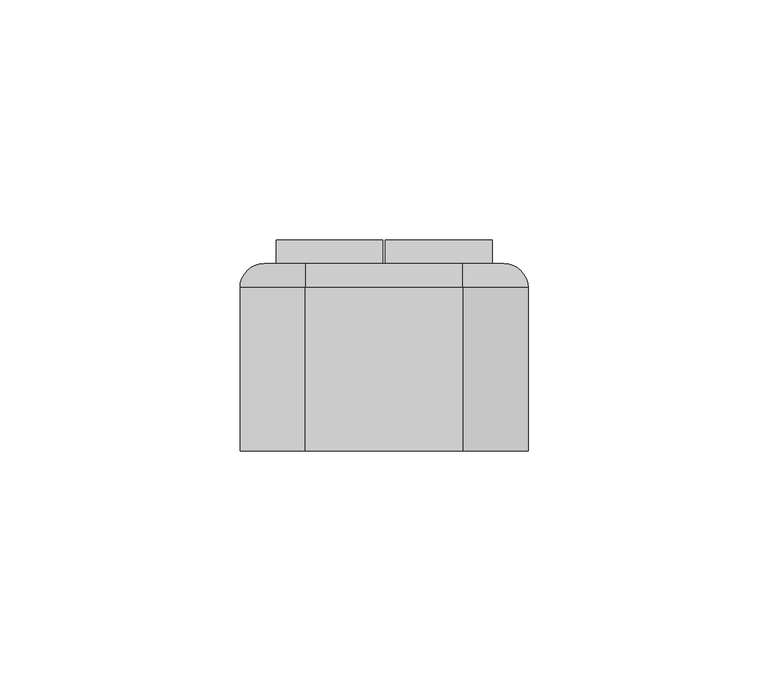
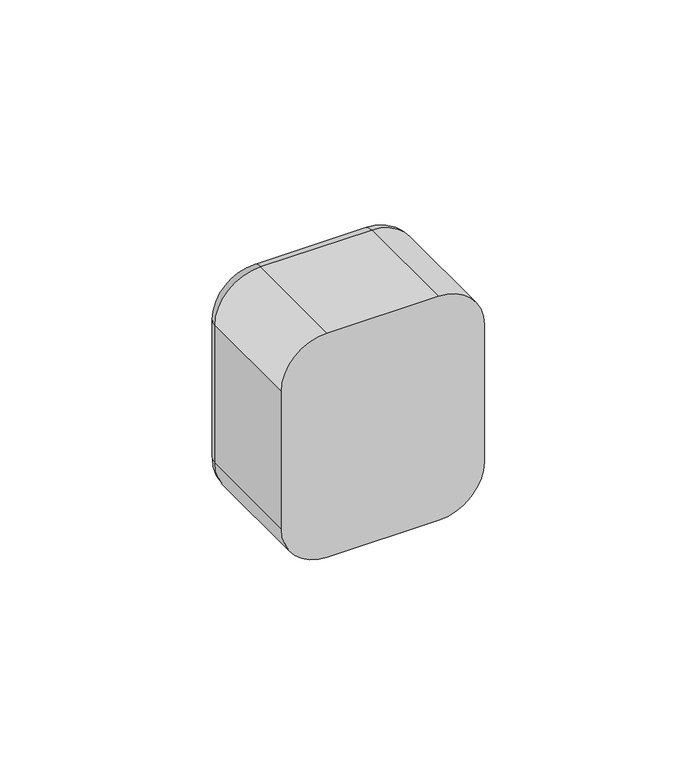
"""IFC4 building model written with IfcOpenShell, lengths in millimetres: switching device geometry."""

from ifc_helpers import new_model, si_unit, point, frame, origin, place, context, project, spatial, polyline, circle_curve, ellipse_curve, trimmed, outline, extrude, faceted_brep, source, transform, mapped, element, save
from ifc_brep_helpers import plane_surface, cylinder_surface, revolved_surface, advanced_brep


def switching_device_f33bef3c(model_context):
    return source(origin(), model_context, "Body", "SolidModel", [
        advanced_brep(
        [(16.4328665, 39.0, 30.0), (25.0, 39.0, 21.4328665), (25.0, 39.0, -21.4328665), (16.4328665, 39.0, -30.0), (-16.4328665, 39.0, -30.0), (-25.0, 39.0, -21.4328665), (-25.0, 39.0, 21.4328665), (-16.4328665, 39.0, 30.0), (22.5, 39.0, 22.5), (-22.5, 39.0, 22.5), (-22.5, 39.0, -22.5), (22.5, 39.0, -22.5), (-16.4328665, 0.0, 35.0), (-30.0, 0.0, 21.4328665), (-30.0, 0.0, -21.4328665), (-16.4328665, 0.0, -35.0), (16.4328665, 0.0, -35.0), (30.0, 0.0, -21.4328665), (30.0, 0.0, 21.4328665), (16.4328665, 0.0, 35.0), (22.5, 2.0, -22.5), (22.5, 2.0, 22.5), (-22.5, 2.0, -22.5), (-22.5, 2.0, 22.5), (-30.0, 34.0, 21.4328665), (-30.0, 34.0, -21.4328665), (-16.4328665, 34.0, -35.0), (16.4328665, 34.0, -35.0), (30.0, 34.0, -21.4328665), (30.0, 34.0, 21.4328665), (16.4328665, 34.0000072, 35.0), (-16.4328665, 34.0, 35.0)],
        [
            (0, 1, circle_curve(frame((16.4328665, 39.0, 21.4328665), z_axis=(0.0, 1.0, 0.0), x_axis=(0.0, 0.0, 1.0)), 8.5671335)),
            (1, 2),
            (2, 3, circle_curve(frame((16.4328665, 39.0, -21.4328665), z_axis=(0.0, 1.0, 0.0), x_axis=(1.0, 0.0, 0.0)), 8.5671335)),
            (3, 4),
            (4, 5, circle_curve(frame((-16.4328665, 39.0, -21.4328665), z_axis=(0.0, 1.0, 0.0), x_axis=(0.0, 0.0, -1.0)), 8.5671335)),
            (5, 6),
            (6, 7, circle_curve(frame((-16.4328665, 39.0, 21.4328665), z_axis=(0.0, 1.0, 0.0), x_axis=(-1.0, 0.0, 0.0)), 8.5671335)),
            (7, 0),
            (8, 9),
            (9, 10),
            (10, 11),
            (11, 8),
            (12, 13, circle_curve(frame((-16.4328665, 0.0, 21.4328665), z_axis=(0.0, -1.0, 0.0), x_axis=(1.0, 0.0, 0.0)), 13.5671335)),
            (13, 14),
            (14, 15, circle_curve(frame((-16.4328665, 0.0, -21.4328665), z_axis=(0.0, -1.0, 0.0), x_axis=(1.0, 0.0, 0.0)), 13.5671335)),
            (15, 16),
            (16, 17, circle_curve(frame((16.4328665, 0.0, -21.4328665), z_axis=(0.0, -1.0, 0.0), x_axis=(1.0, 0.0, 0.0)), 13.5671335)),
            (17, 18),
            (18, 19, circle_curve(frame((16.4328665, 0.0, 21.4328665), z_axis=(0.0, -1.0, 0.0), x_axis=(1.0, 0.0, 0.0)), 13.5671335)),
            (19, 12),
            (11, 20),
            (20, 21),
            (21, 8),
            (10, 22),
            (22, 20),
            (9, 23),
            (23, 22),
            (21, 23),
            (13, 24),
            (24, 25),
            (25, 14),
            (15, 26),
            (26, 27),
            (27, 16),
            (17, 28),
            (28, 29),
            (29, 18),
            (19, 30),
            (30, 31),
            (31, 12),
            (31, 24, circle_curve(frame((-16.4328665, 34.0, 21.4328665), z_axis=(0.0, -1.0, 0.0), x_axis=(1.0, 0.0, 0.0)), 13.5671335)),
            (25, 26, circle_curve(frame((-16.4328665, 34.0, -21.4328665), z_axis=(0.0, -1.0, 0.0), x_axis=(1.0, 0.0, 0.0)), 13.5671335)),
            (27, 28, circle_curve(frame((16.4328665, 34.0, -21.4328665), z_axis=(0.0, -1.0, 0.0), x_axis=(1.0, 0.0, 0.0)), 13.5671335)),
            (29, 30, circle_curve(frame((16.4328665, 34.0, 21.4328665), z_axis=(0.0, -1.0, 0.0), x_axis=(1.0, 0.0, 0.0)), 13.5671335)),
            (29, 1, circle_curve(frame((25.0, 34.0, 21.4328665), z_axis=(0.0, 0.0, 1.0), x_axis=(0.0, 1.0, 0.0)), 5.0)),
            (0, 30, circle_curve(frame((16.4328665, 34.0, 30.0), z_axis=(1.0, 0.0, 0.0), x_axis=(0.0, 1.0, 0.0)), 5.0)),
            (28, 2, circle_curve(frame((25.0, 34.0, -21.4328665), z_axis=(0.0, 0.0, 1.0), x_axis=(0.0, 1.0, 0.0)), 5.0)),
            (27, 3, circle_curve(frame((16.4328665, 34.0, -30.0), z_axis=(1.0, 0.0, 0.0), x_axis=(0.0, 1.0, 0.0)), 5.0)),
            (26, 4, circle_curve(frame((-16.4328665, 34.0, -30.0), z_axis=(1.0, 0.0, 0.0), x_axis=(0.0, 1.0, 0.0)), 5.0)),
            (25, 5, circle_curve(frame((-25.0, 34.0, -21.4328665), z_axis=(0.0, 0.0, -1.0), x_axis=(0.0, 1.0, 0.0)), 5.0)),
            (24, 6, circle_curve(frame((-25.0, 34.0, 21.4328665), z_axis=(0.0, 0.0, -1.0), x_axis=(0.0, 1.0, 0.0)), 5.0)),
            (31, 7, circle_curve(frame((-16.4328665, 34.0, 30.0), z_axis=(-1.0, 0.0, 0.0), x_axis=(0.0, 1.0, 0.0)), 5.0)),
        ],
        [
            plane_surface(frame((22.5, 39.0, 6.9412233), z_axis=(0.0, 1.0, 0.0), x_axis=(0.0, 0.0, 1.0))),
            plane_surface(frame((22.5, 0.0, 6.9412233), z_axis=(0.0, -1.0, 0.0), x_axis=(0.0, 0.0, -1.0))),
            plane_surface(frame((22.5, 0.0, 22.5), z_axis=(-1.0, 0.0, 0.0), x_axis=(0.0, 1.0, 0.0))),
            plane_surface(frame((22.5, 0.0, -22.5), z_axis=(0.0, 0.0, 1.0), x_axis=(0.0, 1.0, 0.0))),
            plane_surface(frame((-22.5, 0.0, -22.5), z_axis=(1.0, 0.0, 0.0), x_axis=(0.0, 1.0, 0.0))),
            plane_surface(frame((-22.5, 0.0, 22.5), z_axis=(0.0, 0.0, -1.0), x_axis=(0.0, 1.0, 0.0))),
            plane_surface(frame((-30.0, 0.0, 21.4328665), z_axis=(-1.0, 0.0, 0.0), x_axis=(0.0, 1.0, 0.0))),
            plane_surface(frame((-16.4328665, 0.0, -35.0), z_axis=(0.0, 0.0, -1.0), x_axis=(0.0, 1.0, 0.0))),
            plane_surface(frame((30.0, 0.0, -21.4328665), z_axis=(1.0, 0.0, 0.0), x_axis=(0.0, 1.0, 0.0))),
            plane_surface(frame((16.4328665, 0.0, 35.0), z_axis=(0.0, 0.0, 1.0), x_axis=(0.0, 1.0, 0.0))),
            cylinder_surface(frame((-16.4328665, 0.0, 21.4328665), z_axis=(0.0, -1.0, 0.0), x_axis=(1.0, 0.0, 0.0)), 13.5671335),
            cylinder_surface(frame((-16.4328665, 0.0, -21.4328665), z_axis=(0.0, -1.0, 0.0), x_axis=(1.0, 0.0, 0.0)), 13.5671335),
            cylinder_surface(frame((16.4328665, 0.0, -21.4328665), z_axis=(0.0, -1.0, 0.0), x_axis=(1.0, 0.0, 0.0)), 13.5671335),
            cylinder_surface(frame((16.4328665, 0.0, 21.4328665), z_axis=(0.0, -1.0, 0.0), x_axis=(1.0, 0.0, 0.0)), 13.5671335),
            plane_surface(frame((-22.5, 2.0, 31.0), z_axis=(0.0, 1.0, 0.0), x_axis=(0.0, 0.0, 1.0))),
            revolved_surface(trimmed(ellipse_curve(frame((16.4328665, 34.0, 30.0), z_axis=(-1.0, 0.0, 0.0), x_axis=(0.0, 1.0, 0.0)), 5.0, 5.0), [point((16.4328665, 34.0, 35.0))], [point((16.4328665, 39.0, 30.0))], True, "CARTESIAN"), (16.4328665, 39.0, 21.4328665), (0.0, 1.0, 0.0)),
            cylinder_surface(frame((25.0, 34.0, 21.4328665), z_axis=(0.0, 0.0, -1.0), x_axis=(0.0, 1.0, 0.0)), 5.0),
            revolved_surface(trimmed(ellipse_curve(frame((25.0, 34.0, -21.4328665), z_axis=(0.0, 0.0, 1.0), x_axis=(0.0, 1.0, 0.0)), 5.0, 5.0), [point((30.0, 34.0, -21.4328665))], [point((25.0, 39.0, -21.4328665))], True, "CARTESIAN"), (16.4328665, 39.0, -21.4328665), (0.0, 1.0, 0.0)),
            cylinder_surface(frame((16.4328665, 34.0, -30.0), z_axis=(-1.0, 0.0, 0.0), x_axis=(0.0, 1.0, 0.0)), 5.0),
            revolved_surface(trimmed(ellipse_curve(frame((-16.4328665, 34.0, -30.0), z_axis=(1.0, 0.0, 0.0), x_axis=(0.0, 1.0, 0.0)), 5.0, 5.0), [point((-16.4328665, 34.0, -35.0))], [point((-16.4328665, 39.0, -30.0))], True, "CARTESIAN"), (-16.4328665, 39.0, -21.4328665), (0.0, 1.0, 0.0)),
            cylinder_surface(frame((-25.0, 34.0, -21.4328665), z_axis=(0.0, 0.0, 1.0), x_axis=(0.0, 1.0, 0.0)), 5.0),
            revolved_surface(trimmed(ellipse_curve(frame((-25.0, 34.0, 21.4328665), z_axis=(0.0, 0.0, -1.0), x_axis=(0.0, 1.0, 0.0)), 5.0, 5.0), [point((-30.0, 34.0, 21.4328665))], [point((-25.0, 39.0, 21.4328665))], True, "CARTESIAN"), (-16.4328665, 39.0, 21.4328665), (0.0, 1.0, 0.0)),
            cylinder_surface(frame((-16.4328665, 34.0, 30.0), z_axis=(1.0, 0.0, 0.0), x_axis=(0.0, 1.0, 0.0)), 5.0),
        ],
        [
            (0, [[1, 2, 3, 4, 5, 6, 7, 8], [9, 10, 11, 12]]),
            (1, [[13, 14, 15, 16, 17, 18, 19, 20]]),
            (2, [[-12, 21, 22, 23]]),
            (3, [[-11, 24, 25, -21]]),
            (4, [[-10, 26, 27, -24]]),
            (5, [[-9, -23, 28, -26]]),
            (6, [[-14, 29, 30, 31]]),
            (7, [[-16, 32, 33, 34]]),
            (8, [[-18, 35, 36, 37]]),
            (9, [[-20, 38, 39, 40]]),
            (10, [[-13, -40, 41, -29]]),
            (11, [[-15, -31, 42, -32]]),
            (12, [[-17, -34, 43, -35]]),
            (13, [[-19, -37, 44, -38]]),
            (14, [[-22, -25, -27, -28]]),
            (15, [[45, -1, 46, -44]]),
            (16, [[-45, -36, 47, -2]]),
            (17, [[-47, -43, 48, -3]]),
            (18, [[-48, -33, 49, -4]]),
            (19, [[-49, -42, 50, -5]]),
            (20, [[-50, -30, 51, -6]]),
            (21, [[-51, -41, 52, -7]]),
            (22, [[-46, -8, -52, -39]]),
        ],
    ),
        extrude(outline(polyline([(0.0, -2.0), (0.0, 0.0), (0.9999999, 0.0), (0.9999999, -2.0), (0.0, -2.0)])), frame((4.0, 41.2452249, -2.4844182), z_axis=(0.0, 0.11147470448260181, 0.9937672716790973), x_axis=(0.0, -0.9937672716790973, 0.11147470448260181)), (0.0, 0.0, 1.0), 5.0),
        faceted_brep([(22.5, 39.0, -22.5), (22.5, 43.9850961, 21.9408026), (22.5, 39.0, 22.5), (0.25, 39.0, -22.5), (0.25, 39.0, 22.5), (0.25, 43.9850961, 21.9408026), (4.0, 41.2452249, -2.4844182), (4.0, 41.8025985, 2.4844182), (2.0, 41.8025985, 2.4844182), (2.0, 41.2452249, -2.4844182), (4.0, 40.2514577, -2.3729435), (2.0, 40.2514577, -2.3729435), (2.0, 40.8088312, 2.5958929), (4.0, 40.8088312, 2.5958929)], [[[0, 1, 2]], [[3, 4, 5]], [[1, 0, 3, 5], [6, 7, 8, 9]], [[2, 1, 5, 4]], [[0, 2, 4, 3]], [[10, 11, 12, 13]], [[10, 13, 7, 6]], [[13, 12, 8, 7]], [[12, 11, 9, 8]], [[11, 10, 6, 9]]]),
        faceted_brep([(-0.25, 39.0, -22.5), (-0.25, 43.9850961, 21.9408026), (-0.25, 39.0, 22.5), (-22.5, 39.0, -22.5), (-22.5, 39.0, 22.5), (-22.5, 43.9850961, 21.9408026), (-2.0, 41.2452249, -2.4844182), (-2.0, 41.8025985, 2.4844182), (-4.0, 41.8025985, 2.4844182), (-4.0, 41.2452249, -2.4844182), (-2.0, 40.2514577, -2.3729435), (-4.0, 40.2514577, -2.3729435), (-4.0, 40.8088312, 2.5958929), (-2.0, 40.8088312, 2.5958929)], [[[0, 1, 2]], [[3, 4, 5]], [[1, 0, 3, 5], [6, 7, 8, 9]], [[2, 1, 5, 4]], [[0, 2, 4, 3]], [[10, 11, 12, 13]], [[10, 13, 7, 6]], [[13, 12, 8, 7]], [[12, 11, 9, 8]], [[11, 10, 6, 9]]]),
        extrude(outline(polyline([(0.0, -2.0), (0.0, 0.0), (0.9999999, 0.0), (0.9999999, -2.0), (0.0, -2.0)])), frame((-2.0, 41.2452249, -2.4844182), z_axis=(0.0, 0.11147470448260181, 0.9937672716790973), x_axis=(0.0, -0.9937672716790973, 0.11147470448260181)), (0.0, 0.0, 1.0), 5.0),
        extrude(outline(polyline([(22.5, 2.0), (-22.5, 2.0), (-22.5, 31.0), (22.5, 31.0), (22.5, 2.0)])), frame((0.0, 0.0, -22.5), z_axis=(0.0, 0.0, 1.0), x_axis=(1.0, 0.0, 0.0)), (0.0, 0.0, 1.0), 45.0),
        extrude(outline(polyline([(22.5, 31.0), (-22.5, 31.0), (-22.5, 39.0), (22.5, 39.0), (22.5, 31.0)])), frame((0.0, 0.0, -22.5), z_axis=(0.0, 0.0, 1.0), x_axis=(1.0, 0.0, 0.0)), (0.0, 0.0, 1.0), 45.0),
    ])


if __name__ == "__main__":
    model = new_model("IFC4")
    model_context = context("Model", 3, world=origin())
    ifc_project = project(units=[si_unit("LENGTHUNIT", "METRE", prefix="MILLI")], contexts=[model_context])
    site = spatial("IfcSite", under=ifc_project)
    building = spatial("IfcBuilding", under=site)
    placement = place(None, origin())
    switching_device_shape = switching_device_f33bef3c(model_context)
    element("IfcSwitchingDevice", 1, at=placement, inside=building, context=model_context, shape_type="MappedRepresentation", body=[
        mapped(switching_device_shape, transform((0.0, 0.0, 0.0), x_axis=(1.0, 0.0, 0.0), y_axis=(0.0, 1.0, 0.0), z_axis=(0.0, 0.0, 1.0))),
    ])
    save(model, "model.ifc")
